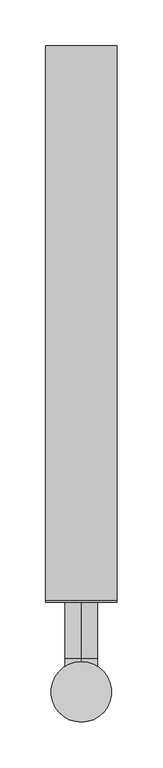
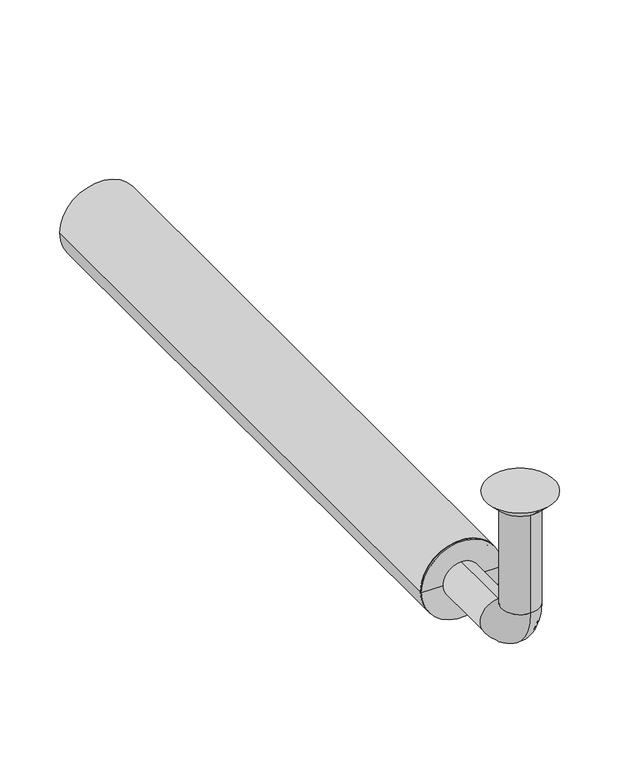
"""IFC4 building model written with IfcOpenShell, lengths in millimetres: beam geometry."""

from ifc_helpers import new_model, si_unit, point, frame, frame_2d, origin, place, context, project, spatial, polyline, circle_curve, ellipse_curve, trimmed, segment, composite_curve, outline, extrude, source, transform, mapped, element, save
from ifc_brep_helpers import plane_surface, cylinder_surface, revolved_surface, advanced_brep


def beam_b7c356ec(model_context):
    return source(origin(), model_context, "Body", "SolidModel", [
        extrude(outline(composite_curve([segment(trimmed(circle_curve(frame_2d((-150.0, 0.0)), 39.0), [point((-150.0, 39.0))], [point((-150.0, -39.0))], False, "CARTESIAN"), True, "CONTINUOUS"), segment(trimmed(circle_curve(frame_2d((-150.0, 0.0)), 39.0), [point((-150.0, -39.0))], [point((-150.0, 39.0))], False, "CARTESIAN"), True, "CONTINUOUS")], self_intersect=False), holes=[composite_curve([segment(trimmed(circle_curve(frame_2d((-150.0, 0.0)), 36.0), [point((-150.0, 36.0))], [point((-150.0, -36.0))], True, "CARTESIAN"), True, "CONTINUOUS"), segment(trimmed(circle_curve(frame_2d((-150.0, 0.0)), 36.0), [point((-150.0, -36.0))], [point((-150.0, 36.0))], True, "CARTESIAN"), True, "CONTINUOUS")], self_intersect=False)]), frame((0.0, 100.0, 0.0), z_axis=(0.0, 1.0, 0.0), x_axis=(0.0, 0.0, 1.0)), (0.0, 0.0, 1.0), 605.0),
        advanced_brep(
        [(0.0, -18.0, -10.0), (0.0, 18.0, -10.0), (0.0, -17.0, -10.0), (0.0, 17.0, -10.0), (0.0, -18.0, -114.0), (0.0, 18.0, -114.0), (0.0, -17.0, -114.0), (0.0, 17.0, -114.0), (0.0, 36.0, -132.0), (0.0, 36.0, -168.0), (0.0, 36.0, -133.0), (0.0, 36.0, -167.0), (0.0, 123.0, -168.0), (0.0, 123.0, -132.0), (0.0, 123.0, -167.0), (0.0, 123.0, -133.0)],
        [
            (0, 1, circle_curve(frame((0.0, 0.0, -10.0), z_axis=(0.0, 0.0, 1.0), x_axis=(0.0, 1.0, 0.0)), 18.0)),
            (1, 0, circle_curve(frame((0.0, 0.0, -10.0), z_axis=(0.0, 0.0, 1.0), x_axis=(0.0, 1.0, 0.0)), 18.0)),
            (2, 3, circle_curve(frame((0.0, 0.0, -10.0), z_axis=(0.0, 0.0, -1.0), x_axis=(0.0, 1.0, 0.0)), 17.0)),
            (3, 2, circle_curve(frame((0.0, 0.0, -10.0), z_axis=(0.0, 0.0, -1.0), x_axis=(0.0, 1.0, 0.0)), 17.0)),
            (0, 4),
            (4, 5, circle_curve(frame((0.0, 0.0, -114.0), z_axis=(0.0, 0.0, 1.0), x_axis=(0.0, 1.0, 0.0)), 18.0)),
            (5, 1),
            (5, 4, circle_curve(frame((0.0, 0.0, -114.0), z_axis=(0.0, 0.0, 1.0), x_axis=(0.0, 1.0, 0.0)), 18.0)),
            (2, 6),
            (6, 7, circle_curve(frame((0.0, 0.0, -114.0), z_axis=(0.0, 0.0, -1.0), x_axis=(0.0, 1.0, 0.0)), 17.0)),
            (7, 3),
            (7, 6, circle_curve(frame((0.0, 0.0, -114.0), z_axis=(0.0, 0.0, -1.0), x_axis=(0.0, 1.0, 0.0)), 17.0)),
            (8, 5, circle_curve(frame((0.0, 36.0, -114.0), z_axis=(-1.0, 0.0, 0.0), x_axis=(0.0, -1.0, 0.0)), 18.0)),
            (4, 9, circle_curve(frame((0.0, 36.0, -114.0), z_axis=(1.0, 0.0, 0.0), x_axis=(0.0, -1.0, 0.0)), 54.0)),
            (9, 8, circle_curve(frame((0.0, 36.0, -150.0), z_axis=(0.0, -1.0, 0.0), x_axis=(0.0, 0.0, 1.0)), 18.0)),
            (8, 9, circle_curve(frame((0.0, 36.0, -150.0), z_axis=(0.0, -1.0, 0.0), x_axis=(0.0, 0.0, 1.0)), 18.0)),
            (10, 7, circle_curve(frame((0.0, 36.0, -114.0), z_axis=(-1.0, 0.0, 0.0), x_axis=(0.0, -1.0, 0.0)), 19.0)),
            (6, 11, circle_curve(frame((0.0, 36.0, -114.0), z_axis=(1.0, 0.0, 0.0), x_axis=(0.0, -1.0, 0.0)), 53.0)),
            (11, 10, circle_curve(frame((0.0, 36.0, -150.0), z_axis=(0.0, 1.0, 0.0), x_axis=(0.0, 0.0, 1.0)), 17.0)),
            (10, 11, circle_curve(frame((0.0, 36.0, -150.0), z_axis=(0.0, 1.0, 0.0), x_axis=(0.0, 0.0, 1.0)), 17.0)),
            (12, 13, circle_curve(frame((0.0, 123.0, -150.0), z_axis=(0.0, 1.0, 0.0), x_axis=(0.0, 0.0, 1.0)), 18.0)),
            (13, 12, circle_curve(frame((0.0, 123.0, -150.0), z_axis=(0.0, 1.0, 0.0), x_axis=(0.0, 0.0, 1.0)), 18.0)),
            (14, 15, circle_curve(frame((0.0, 123.0, -150.0), z_axis=(0.0, -1.0, 0.0), x_axis=(0.0, 0.0, 1.0)), 17.0)),
            (15, 14, circle_curve(frame((0.0, 123.0, -150.0), z_axis=(0.0, -1.0, 0.0), x_axis=(0.0, 0.0, 1.0)), 17.0)),
            (9, 12),
            (13, 8),
            (11, 14),
            (15, 10),
        ],
        [
            plane_surface(frame((0.0, 0.0, -10.0), z_axis=(0.0, 0.0, 1.0), x_axis=(1.0, 0.0, 0.0))),
            cylinder_surface(frame((0.0, 0.0, -10.0), z_axis=(0.0, 0.0, 1.0), x_axis=(0.0, 1.0, 0.0)), 18.0),
            revolved_surface(polyline([(0.0, 17.0, -114.0), (0.0, 17.0, -10.0)]), (0.0, 0.0, -10.0), (0.0, 0.0, -1.0)),
            revolved_surface(trimmed(ellipse_curve(frame((0.0, 0.0, -114.0), z_axis=(0.0, 0.0, 1.0), x_axis=(0.0, 1.0, 0.0)), 18.0, 18.0), [point((0.0, -18.0, -114.0))], [point((0.0, 18.0, -114.0))], True, "CARTESIAN"), (0.0, 36.0, -114.0), (1.0, 0.0, 0.0)),
            revolved_surface(trimmed(ellipse_curve(frame((0.0, 0.0, -114.0), z_axis=(0.0, 0.0, 1.0), x_axis=(0.0, 1.0, 0.0)), 18.0, 18.0), [point((0.0, 18.0, -114.0))], [point((0.0, -18.0, -114.0))], True, "CARTESIAN"), (0.0, 36.0, -114.0), (1.0, 0.0, 0.0)),
            revolved_surface(trimmed(ellipse_curve(frame((0.0, 0.0, -114.0), z_axis=(0.0, 0.0, -1.0), x_axis=(0.0, 1.0, 0.0)), 17.0, 17.0), [point((0.0, -17.0, -114.0))], [point((0.0, 17.0, -114.0))], True, "CARTESIAN"), (0.0, 36.0, -114.0), (1.0, 0.0, 0.0)),
            revolved_surface(trimmed(ellipse_curve(frame((0.0, 0.0, -114.0), z_axis=(0.0, 0.0, -1.0), x_axis=(0.0, 1.0, 0.0)), 17.0, 17.0), [point((0.0, 17.0, -114.0))], [point((0.0, -17.0, -114.0))], True, "CARTESIAN"), (0.0, 36.0, -114.0), (1.0, 0.0, 0.0)),
            plane_surface(frame((0.0, 123.0, -150.0), z_axis=(0.0, 1.0, 0.0), x_axis=(1.0, 0.0, 0.0))),
            cylinder_surface(frame((0.0, 36.0, -150.0), z_axis=(0.0, -1.0, 0.0), x_axis=(0.0, 0.0, 1.0)), 18.0),
            revolved_surface(polyline([(0.0, 123.0, -133.0), (0.0, 36.0, -133.0)]), (0.0, 36.0, -150.0), (0.0, 1.0, 0.0)),
        ],
        [
            (0, [[1, 2], [3, 4]]),
            (1, [[-1, 5, 6, 7]]),
            (1, [[-2, -7, 8, -5]]),
            (2, [[-3, 9, 10, 11]]),
            (2, [[-4, -11, 12, -9]]),
            (3, [[13, -6, 14, 15]]),
            (4, [[-14, -8, -13, 16]]),
            (5, [[17, -10, 18, 19]]),
            (6, [[-18, -12, -17, 20]]),
            (7, [[21, 22], [23, 24]]),
            (8, [[-15, 25, -22, 26]]),
            (8, [[-16, -26, -21, -25]]),
            (9, [[-19, 27, -24, 28]]),
            (9, [[-20, -28, -23, -27]]),
        ],
    ),
        advanced_brep(
        [(0.0, 23.0, -10.0), (0.0, -23.0, -10.0), (0.0, 33.0, 0.0), (0.0, -33.0, 0.0)],
        [
            (0, 1, circle_curve(frame((0.0, 0.0, -10.0), z_axis=(0.0, 0.0, -1.0), x_axis=(0.0, 1.0, 0.0)), 23.0)),
            (1, 0, circle_curve(frame((0.0, 0.0, -10.0), z_axis=(0.0, 0.0, -1.0), x_axis=(0.0, -1.0, 0.0)), 23.0)),
            (2, 3, circle_curve(frame((0.0, 0.0, 0.0), z_axis=(0.0, 0.0, 1.0), x_axis=(0.0, -1.0, 0.0)), 33.0)),
            (3, 2, circle_curve(frame((0.0, 0.0, 0.0), z_axis=(0.0, 0.0, 1.0), x_axis=(0.0, 1.0, 0.0)), 33.0)),
            (3, 1),
            (0, 2),
        ],
        [
            plane_surface(frame((0.0, 0.0, -10.0), z_axis=(0.0, 0.0, -1.0), x_axis=(-1.0, 0.0, 0.0))),
            plane_surface(frame((0.0, 0.0, 0.0), z_axis=(0.0, 0.0, 1.0), x_axis=(-1.0, 0.0, 0.0))),
            revolved_surface(polyline([(0.0, 23.0, -10.0), (0.0, 33.0, 0.0)]), (0.0, 0.0, -33.0), (0.0, 0.0, 1.0)),
            revolved_surface(polyline([(0.0, -23.0, -10.0), (0.0, -33.0, 0.0)]), (0.0, 0.0, -33.0), (0.0, 0.0, 1.0)),
        ],
        [
            (0, [[1, 2]]),
            (1, [[3, 4]]),
            (2, [[-4, 5, -1, 6]]),
            (3, [[-3, -6, -2, -5]]),
        ],
    ),
        advanced_brep(
        [(36.0, 100.0, -150.0), (-36.0, 100.0, -150.0), (-36.0, 123.0, -150.0), (36.0, 123.0, -150.0), (-18.0, 123.0, -150.0), (18.0, 123.0, -150.0), (-18.0, 98.0, -150.0), (18.0, 98.0, -150.0), (-39.0, 98.0, -150.0), (39.0, 98.0, -150.0), (-39.0, 100.0, -150.0), (39.0, 100.0, -150.0)],
        [
            (0, 1, circle_curve(frame((0.0, 100.0, -150.0), z_axis=(0.0, 1.0, 0.0), x_axis=(-1.0, 0.0, 0.0)), 36.0)),
            (1, 2),
            (2, 3, circle_curve(frame((0.0, 123.0, -150.0), z_axis=(0.0, -1.0, 0.0), x_axis=(-1.0, 0.0, 0.0)), 36.0)),
            (3, 0),
            (1, 0, circle_curve(frame((0.0, 100.0, -150.0), z_axis=(0.0, 1.0, 0.0), x_axis=(-1.0, 0.0, 0.0)), 36.0)),
            (3, 2, circle_curve(frame((0.0, 123.0, -150.0), z_axis=(0.0, -1.0, 0.0), x_axis=(-1.0, 0.0, 0.0)), 36.0)),
            (2, 4),
            (4, 5, circle_curve(frame((0.0, 123.0, -150.0), z_axis=(0.0, -1.0, 0.0), x_axis=(-1.0, 0.0, 0.0)), 18.0)),
            (5, 3),
            (5, 4, circle_curve(frame((0.0, 123.0, -150.0), z_axis=(0.0, -1.0, 0.0), x_axis=(-1.0, 0.0, 0.0)), 18.0)),
            (4, 6),
            (6, 7, circle_curve(frame((0.0, 98.0, -150.0), z_axis=(0.0, -1.0, 0.0), x_axis=(-1.0, 0.0, 0.0)), 18.0)),
            (7, 5),
            (7, 6, circle_curve(frame((0.0, 98.0, -150.0), z_axis=(0.0, -1.0, 0.0), x_axis=(-1.0, 0.0, 0.0)), 18.0)),
            (6, 8),
            (8, 9, circle_curve(frame((0.0, 98.0, -150.0), z_axis=(0.0, -1.0, 0.0), x_axis=(-1.0, 0.0, 0.0)), 39.0)),
            (9, 7),
            (9, 8, circle_curve(frame((0.0, 98.0, -150.0), z_axis=(0.0, -1.0, 0.0), x_axis=(-1.0, 0.0, 0.0)), 39.0)),
            (8, 10),
            (10, 11, circle_curve(frame((0.0, 100.0, -150.0), z_axis=(0.0, -1.0, 0.0), x_axis=(-1.0, 0.0, 0.0)), 39.0)),
            (11, 9),
            (11, 10, circle_curve(frame((0.0, 100.0, -150.0), z_axis=(0.0, -1.0, 0.0), x_axis=(-1.0, 0.0, 0.0)), 39.0)),
            (10, 1),
            (0, 11),
        ],
        [
            cylinder_surface(frame((0.0, 98.0, -150.0), z_axis=(0.0, -1.0, 0.0), x_axis=(-1.0, 0.0, 0.0)), 36.0),
            plane_surface(frame((0.0, 123.0, -150.0), z_axis=(0.0, 1.0, 0.0), x_axis=(-1.0, 0.0, 0.0))),
            revolved_surface(polyline([(-18.0, 98.0, -150.0), (-18.0, 123.0, -150.0)]), (0.0, 98.0, -150.0), (0.0, -1.0, 0.0)),
            plane_surface(frame((0.0, 98.0, -150.0), z_axis=(0.0, -1.0, 0.0), x_axis=(-1.0, 0.0, 0.0))),
            cylinder_surface(frame((0.0, 98.0, -150.0), z_axis=(0.0, -1.0, 0.0), x_axis=(-1.0, 0.0, 0.0)), 39.0),
            plane_surface(frame((0.0, 100.0, -150.0), z_axis=(0.0, 1.0, 0.0), x_axis=(-1.0, 0.0, 0.0))),
        ],
        [
            (0, [[1, 2, 3, 4]]),
            (0, [[5, -4, 6, -2]]),
            (1, [[-3, 7, 8, 9]]),
            (1, [[-6, -9, 10, -7]]),
            (2, [[-8, 11, 12, 13]]),
            (2, [[-10, -13, 14, -11]]),
            (3, [[-12, 15, 16, 17]]),
            (3, [[-14, -17, 18, -15]]),
            (4, [[-16, 19, 20, 21]]),
            (4, [[-18, -21, 22, -19]]),
            (5, [[-20, 23, -1, 24]]),
            (5, [[-22, -24, -5, -23]]),
        ],
    ),
    ])


if __name__ == "__main__":
    model = new_model("IFC4")
    model_context = context("Model", 3, world=origin())
    ifc_project = project(units=[si_unit("LENGTHUNIT", "METRE", prefix="MILLI")], contexts=[model_context])
    site = spatial("IfcSite", under=ifc_project)
    building = spatial("IfcBuilding", under=site)
    placement = place(None, origin())
    beam_shape = beam_b7c356ec(model_context)
    element("IfcBeam", 1, at=placement, inside=building, context=model_context, shape_type="MappedRepresentation", body=[
        mapped(beam_shape, transform((0.0, 0.0, 0.0), x_axis=(1.0, 0.0, 0.0), y_axis=(0.0, 1.0, 0.0), z_axis=(0.0, 0.0, 1.0))),
    ])
    save(model, "model.ifc")
